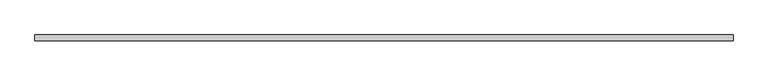
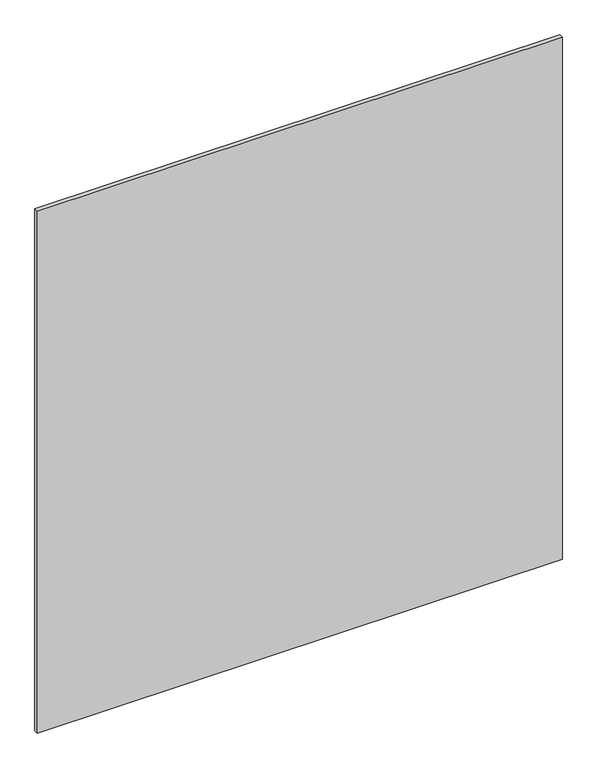
"""IFC4 building model written with IfcOpenShell, lengths in millimetres: plate geometry."""

from ifc_helpers import new_model, si_unit, origin, origin_with_axes, place, context, project, spatial, polyline, outline, extrude, source, transform, mapped, element, save


def plate_1e45ec1c(model_context):
    return source(origin(), model_context, "Body", "SweptSolid", [
        extrude(outline(polyline([(616.65, 5.2), (616.65, -5.2), (-616.65, -5.2), (-616.65, 5.2), (616.65, 5.2)])), origin_with_axes(), (0.0, 0.0, 1.0), 1295.5),
    ])


if __name__ == "__main__":
    model = new_model("IFC4")
    model_context = context("Model", 3, world=origin())
    ifc_project = project(units=[si_unit("LENGTHUNIT", "METRE", prefix="MILLI")], contexts=[model_context])
    site = spatial("IfcSite", under=ifc_project)
    building = spatial("IfcBuilding", under=site)
    placement = place(None, origin())
    plate_shape = plate_1e45ec1c(model_context)
    element("IfcPlate", 1, at=placement, inside=building, context=model_context, shape_type="MappedRepresentation", body=[
        mapped(plate_shape, transform((0.0, 0.0, 0.0), x_axis=(1.0, 0.0, 0.0), y_axis=(0.0, 1.0, 0.0), z_axis=(0.0, 0.0, 1.0))),
    ])
    save(model, "model.ifc")
